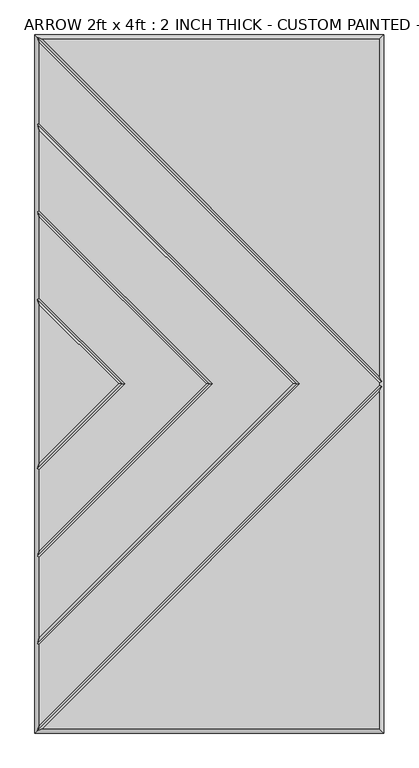
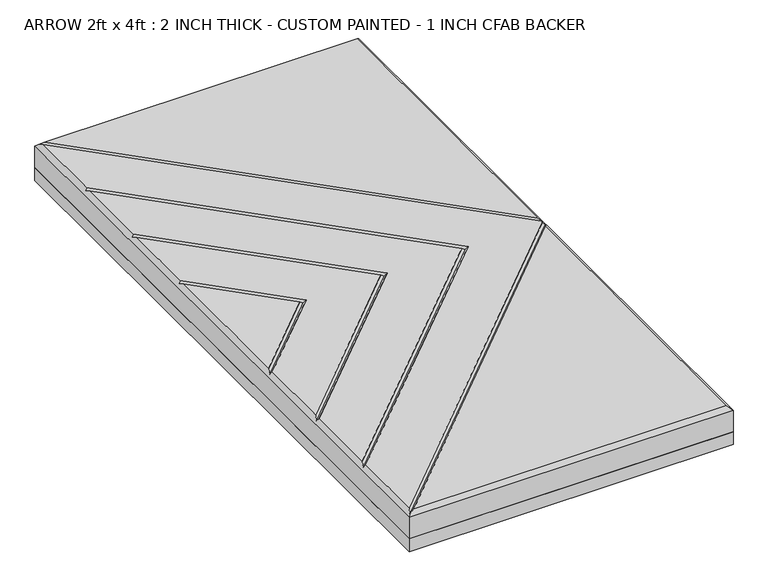
"""IFC4 building model written with IfcOpenShell, lengths in millimetres: proxy geometry, ARROW 2ft x 4ft : 2 INCH THICK - CUSTOM PAINTED - 1 INCH CFAB BACKER."""

from ifc_helpers import new_model, si_unit, frame, origin, place, context, project, spatial, polyline, outline, extrude, faceted_brep, source, transform, mapped, element, save


def arrow_2ft_x_4ft_2_inch_thick_custom_painted_1_inch_cfab_41a493f0(model_context):
    return source(origin(), model_context, "Body", "SolidModel", [
        extrude(outline(polyline([(-304.8, 609.6), (304.8, 609.6), (304.8, -609.6), (-304.8, -609.6), (-304.8, 609.6)])), frame((0.0, 0.0, -25.4), z_axis=(0.0, 0.0, 1.0), x_axis=(1.0, 0.0, 0.0)), (0.0, 0.0, 1.0), 25.4),
        faceted_brep([(296.799, -2.3434386, 50.8), (296.799, 2.3434386, 50.8), (-296.799, 595.9414386, 50.8), (-296.799, 454.8565868, 50.8), (158.0575614, 2.54e-05, 50.8), (-296.799, -454.856536, 50.8), (-296.799, -595.9414386, 50.8), (296.799, 601.599, 50.8), (-291.1414386, 601.599, 50.8), (296.799, 13.6585614, 50.8), (-291.1414386, -601.599, 50.8), (296.799, -601.599, 50.8), (296.799, -13.6585614, 50.8), (146.7424386, 2.54e-05, 50.8), (-296.799, 443.541464, 50.8), (-296.799, 302.4565868, 50.8), (5.6575614, 2.54e-05, 50.8), (-296.799, -302.456536, 50.8), (-296.799, -443.5414132, 50.8), (-5.6575614, 2.54e-05, 50.8), (-296.799, 291.141464, 50.8), (-296.799, 150.0565868, 50.8), (-146.7424386, 2.54e-05, 50.8), (-296.799, -150.056536, 50.8), (-296.799, -291.1414132, 50.8), (-296.799, 138.741464, 50.8), (-296.799, -138.7414132, 50.8), (-158.0575614, 2.54e-05, 50.8), (-304.8, 609.6, 0.0), (304.8, 609.6, 0.0), (304.8, -609.6, 0.0), (-304.8, -609.6, 0.0), (-304.8, -609.6, 42.799), (-304.8, 609.6, 42.799), (304.8, -609.6, 42.799), (304.8, 609.6, 42.799), (-300.7995, 605.5995, 46.7995), (-300.7995, -605.5995, 46.7995), (-300.7995, -453.1994746, 46.7995), (-300.7995, -300.7994746, 46.7995), (-300.7995, -148.3994746, 46.7995), (-300.7995, 148.3995254, 46.7995), (-300.7995, 300.7995254, 46.7995), (-300.7995, 453.1995254, 46.7995), (300.7995, 4.0005, 46.7995), (300.7995, -4.0005, 46.7995), (152.4, 2.54e-05, 46.7995), (0.0, 2.54e-05, 46.7995), (-152.4, 2.54e-05, 46.7995)], [[[0, 1, 2, 3, 4, 5, 6]], [[7, 8, 9]], [[10, 11, 12]], [[13, 14, 15, 16, 17, 18]], [[19, 20, 21, 22, 23, 24]], [[25, 26, 27]], [[28, 29, 30, 31]], [[28, 31, 32, 33]], [[31, 30, 34, 32]], [[30, 29, 35, 34]], [[29, 28, 33, 35]], [[7, 35, 33, 36, 8]], [[33, 32, 37, 6, 5, 38, 18, 17, 39, 24, 23, 40, 26, 25, 41, 21, 20, 42, 15, 14, 43, 3, 2, 36]], [[34, 11, 10, 37, 32]], [[35, 7, 9, 44, 1, 0, 45, 12, 11, 34]], [[36, 44, 9, 8]], [[44, 36, 2, 1]], [[45, 37, 10, 12]], [[37, 45, 0, 6]], [[46, 4, 3, 43]], [[13, 46, 43, 14]], [[4, 46, 38, 5]], [[46, 13, 18, 38]], [[47, 16, 15, 42]], [[19, 47, 42, 20]], [[16, 47, 39, 17]], [[47, 19, 24, 39]], [[48, 22, 21, 41]], [[27, 48, 41, 25]], [[22, 48, 40, 23]], [[48, 27, 26, 40]]]),
    ])


if __name__ == "__main__":
    model = new_model("IFC4")
    model_context = context("Model", 3, world=origin())
    ifc_project = project(units=[si_unit("LENGTHUNIT", "METRE", prefix="MILLI")], contexts=[model_context])
    site = spatial("IfcSite", under=ifc_project)
    building = spatial("IfcBuilding", under=site)
    placement = place(None, origin())
    arrow_2ft_x_4ft_2_inch_thick_custom_painted_1_inch_cfab_shape = arrow_2ft_x_4ft_2_inch_thick_custom_painted_1_inch_cfab_41a493f0(model_context)
    element("IfcBuildingElementProxy", 1, Name="ARROW 2ft x 4ft : 2 INCH THICK - CUSTOM PAINTED - 1 INCH CFAB BACKER", ObjectType="ARROW 2ft x 4ft : 2 INCH THICK - CUSTOM PAINTED - 1 INCH CFAB BACKER", at=placement, inside=building, context=model_context, shape_type="MappedRepresentation", body=[
        mapped(arrow_2ft_x_4ft_2_inch_thick_custom_painted_1_inch_cfab_shape, transform((0.0, 0.0, 0.0), x_axis=(1.0, 0.0, 0.0), y_axis=(0.0, 1.0, 0.0), z_axis=(0.0, 0.0, 1.0))),
    ])
    save(model, "model.ifc")
